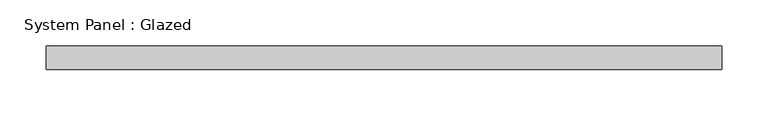
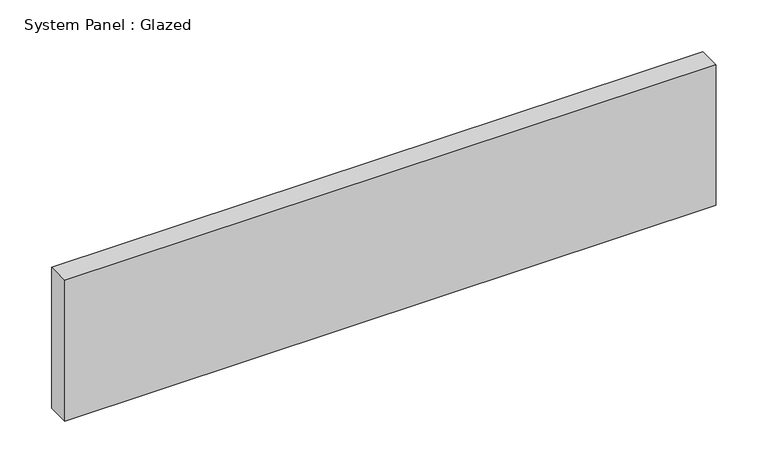
"""IFC4 building model written with IfcOpenShell, lengths in millimetres: plate geometry, System Panel : Glazed."""

from ifc_helpers import new_model, si_unit, origin, origin_with_axes, place, context, project, spatial, polyline, outline, extrude, source, transform, mapped, element, save


def system_panel_glazed_44abc083(model_context):
    return source(origin(), model_context, "Body", "SweptSolid", [
        extrude(outline(polyline([(364.45, 19.05), (-364.45, 19.05), (-364.45, 44.45), (364.45, 44.45), (364.45, 19.05)])), origin_with_axes(), (0.0, 0.0, 1.0), 166.5),
    ])


if __name__ == "__main__":
    model = new_model("IFC4")
    model_context = context("Model", 3, world=origin())
    ifc_project = project(units=[si_unit("LENGTHUNIT", "METRE", prefix="MILLI")], contexts=[model_context])
    site = spatial("IfcSite", under=ifc_project)
    building = spatial("IfcBuilding", under=site)
    placement = place(None, origin())
    system_panel_glazed_shape = system_panel_glazed_44abc083(model_context)
    element("IfcPlate", 1, ObjectType="System Panel : Glazed", at=placement, inside=building, context=model_context, shape_type="MappedRepresentation", body=[
        mapped(system_panel_glazed_shape, transform((0.0, 0.0, 0.0), x_axis=(1.0, 0.0, 0.0), y_axis=(0.0, 1.0, 0.0), z_axis=(0.0, 0.0, 1.0))),
    ])
    save(model, "model.ifc")
